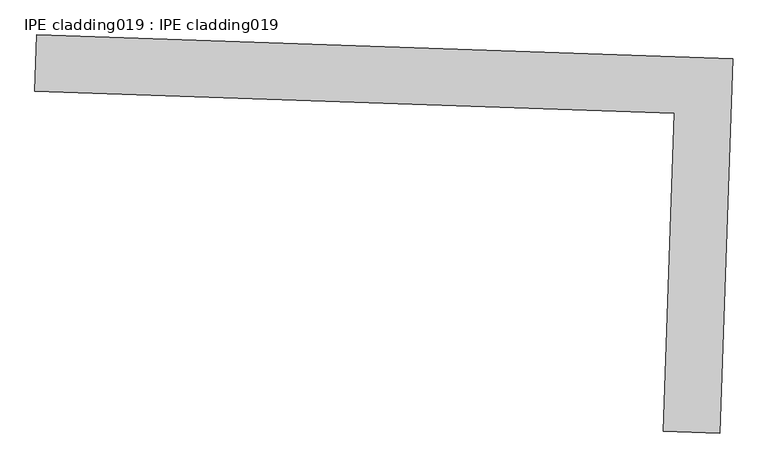
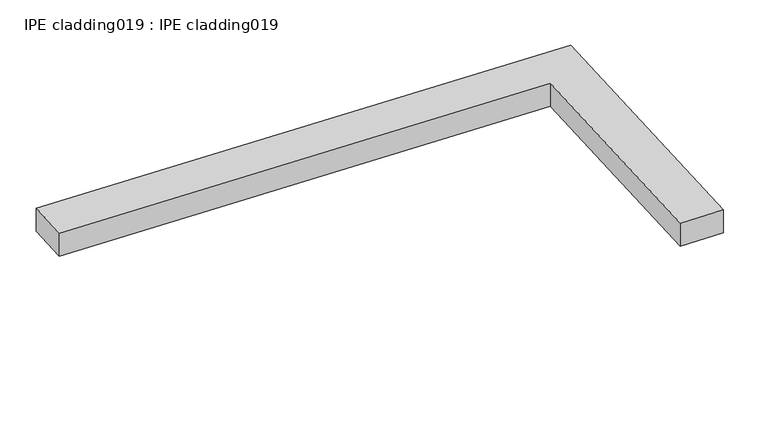
"""IFC4 building model written with IfcOpenShell, lengths in millimetres: proxy geometry, IPE cladding019 : IPE cladding019."""

from ifc_helpers import new_model, si_unit, frame, origin, place, context, project, spatial, polyline, outline, extrude, source, transform, mapped, element, save


def ipe_cladding019_ipe_cladding019_49e26801(model_context):
    return source(origin(), model_context, "Body", "SweptSolid", [
        extrude(outline(polyline([(17306.5036741, -14579.7359038), (17309.544211, -14490.887915), (18404.9713726, -14528.3753875), (18384.8189494, -15117.2524261), (18295.9709603, -15114.2118894), (18313.082847, -14614.1828395), (17306.5036741, -14579.7359038)])), frame((0.0, 0.0, 2156.775707), z_axis=(0.0, 0.0, 1.0), x_axis=(1.0, 0.0, 0.0)), (0.0, 0.0, 1.0), 50.8),
    ])


if __name__ == "__main__":
    model = new_model("IFC4")
    model_context = context("Model", 3, world=origin())
    ifc_project = project(units=[si_unit("LENGTHUNIT", "METRE", prefix="MILLI")], contexts=[model_context])
    site = spatial("IfcSite", under=ifc_project)
    building = spatial("IfcBuilding", under=site)
    placement = place(None, origin())
    ipe_cladding019_ipe_cladding019_shape = ipe_cladding019_ipe_cladding019_49e26801(model_context)
    element("IfcBuildingElementProxy", 1, Name="IPE cladding019 : IPE cladding019", ObjectType="IPE cladding019 : IPE cladding019", at=placement, inside=building, context=model_context, shape_type="MappedRepresentation", body=[
        mapped(ipe_cladding019_ipe_cladding019_shape, transform((0.0, 0.0, 0.0), x_axis=(1.0, 0.0, 0.0), y_axis=(0.0, 1.0, 0.0), z_axis=(0.0, 0.0, 1.0))),
    ])
    save(model, "model.ifc")
